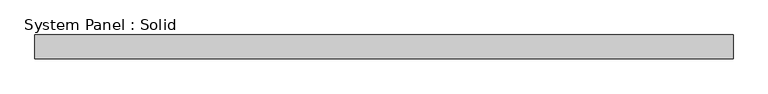
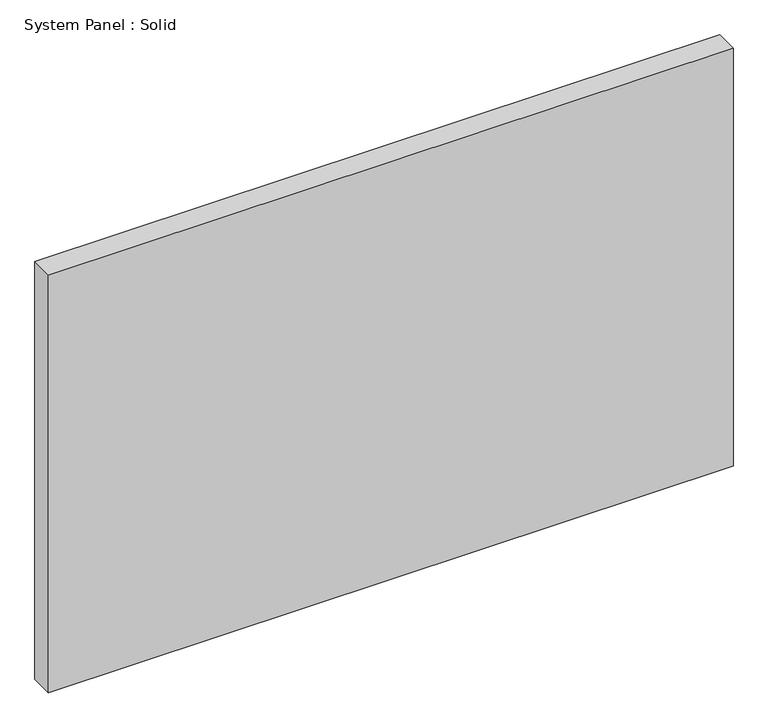
"""IFC4 building model written with IfcOpenShell, lengths in millimetres: plate geometry, System Panel : Solid."""

from ifc_helpers import new_model, si_unit, origin, origin_with_axes, place, context, project, spatial, polyline, outline, extrude, source, transform, mapped, element, save


def system_panel_solid_b84fc66c(model_context):
    return source(origin(), model_context, "Body", "SweptSolid", [
        extrude(outline(polyline([(883.0, -10.5), (-883.0, -10.5), (-883.0, 49.5), (883.0, 49.5), (883.0, -10.5)])), origin_with_axes(), (0.0, 0.0, 1.0), 1140.0),
    ])


if __name__ == "__main__":
    model = new_model("IFC4")
    model_context = context("Model", 3, world=origin())
    ifc_project = project(units=[si_unit("LENGTHUNIT", "METRE", prefix="MILLI")], contexts=[model_context])
    site = spatial("IfcSite", under=ifc_project)
    building = spatial("IfcBuilding", under=site)
    placement = place(None, origin())
    system_panel_solid_shape = system_panel_solid_b84fc66c(model_context)
    element("IfcPlate", 1, ObjectType="System Panel : Solid", at=placement, inside=building, context=model_context, shape_type="MappedRepresentation", body=[
        mapped(system_panel_solid_shape, transform((0.0, 0.0, 0.0), x_axis=(1.0, 0.0, 0.0), y_axis=(0.0, 1.0, 0.0), z_axis=(0.0, 0.0, 1.0))),
    ])
    save(model, "model.ifc")
